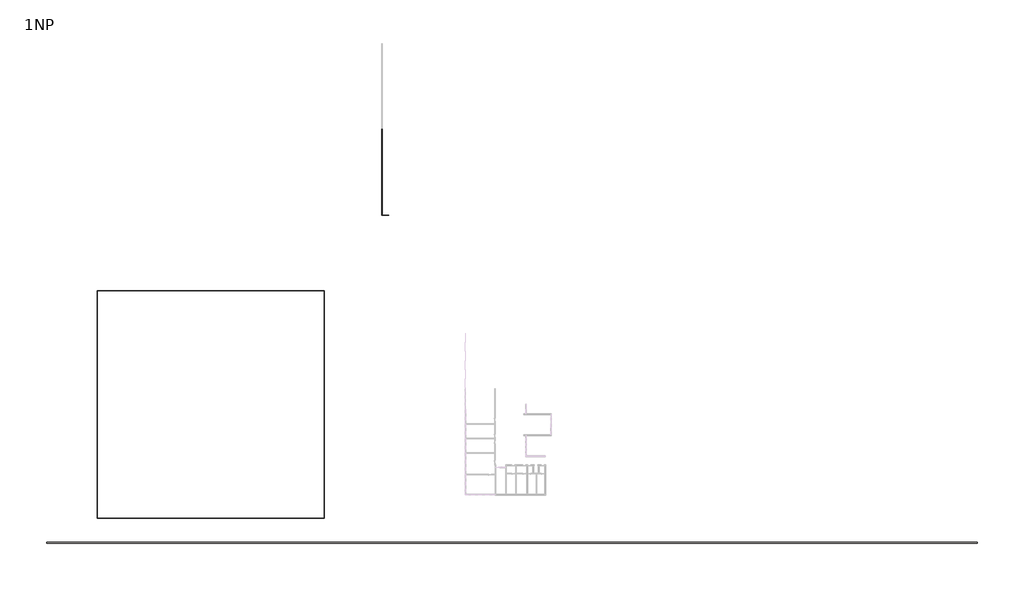
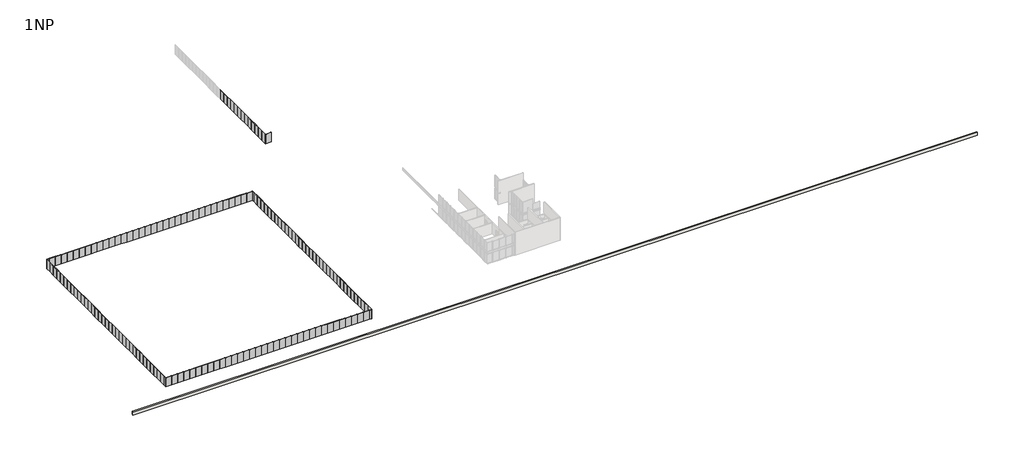
# One storey, part 1 of 52: 154 plates, 1 wall.
"""IFC4 building model written with IfcOpenShell, lengths in millimetres."""

import ifcopenshell
import ifcopenshell.guid

model = None  # the IFC model being written
_history = None  # IfcOwnerHistory: only IFC2X3 demands one
_inside = {}  # id of a spatial element -> (the spatial element, [elements in it])
_under = {}  # id of a project, library or spatial element -> (it, [spatial elements below it])
_declared = {}  # id of a project -> (the project, [libraries it declares])
_typed = {}  # id of a type object -> (the type object, [elements of that type])
_made_of = {}  # id of a material, layer set ... -> (it, [elements and type objects made of it])


def new_model(schema):
    """Start an empty IFC model of exactly this schema.

    Asked for "IFC4X3", IfcOpenShell would pick the latest addendum, in which some entities
    have other attributes; the version numbers below select the first issue.
    IFC2X3 requires an IfcOwnerHistory on every rooted entity: one is made here for all.
    """
    global model, _history
    if schema == "IFC4X3":
        model = ifcopenshell.file(schema_version=(4, 3, 0, 0))
    else:
        model = ifcopenshell.file(schema=schema)
    _inside.clear()
    _under.clear()
    _declared.clear()
    _typed.clear()
    _made_of.clear()
    _history = None
    if model.schema == "IFC2X3":
        org = make("IfcOrganization", Name="unknown")
        user = make(
            "IfcPersonAndOrganization",
            ThePerson=make("IfcPerson", FamilyName="unknown"),
            TheOrganization=org,
        )
        app = make(
            "IfcApplication",
            ApplicationDeveloper=org,
            Version="unknown",
            ApplicationFullName="unknown",
            ApplicationIdentifier="unknown",
        )
        _history = make(
            "IfcOwnerHistory",
            OwningUser=user,
            OwningApplication=app,
            ChangeAction="ADDED",
            CreationDate=0,
        )
    return model


def make(cls, **values):
    """One entity of the class cls with the attributes given. An attribute that is None is left unset."""
    return model.create_entity(
        cls, **{name: value for name, value in values.items() if value is not None}
    )


def rooted(cls, **values):
    """An entity with a GlobalId (a new one), such as an element, a storey or a relation."""
    return make(cls, GlobalId=ifcopenshell.guid.new(), OwnerHistory=_history, **values)


def si_unit(unit_type, name, prefix=None):
    """IfcSIUnit, for example si_unit("LENGTHUNIT", "METRE", prefix="MILLI")."""
    return make("IfcSIUnit", UnitType=unit_type, Prefix=prefix, Name=name)


def assignment(units):
    """IfcUnitAssignment: the units of a project."""
    return None if units is None else make("IfcUnitAssignment", Units=units)


def point(xyz):
    """IfcCartesianPoint."""
    return None if xyz is None else make("IfcCartesianPoint", Coordinates=xyz)


def direction(xyz):
    """IfcDirection."""
    return None if xyz is None else make("IfcDirection", DirectionRatios=xyz)


def frame(location, z_axis=None, x_axis=None):
    """IfcAxis2Placement3D, a coordinate frame: its origin and axes. An axis left out is left unset."""
    return make(
        "IfcAxis2Placement3D",
        Location=point(location),
        Axis=direction(z_axis),
        RefDirection=direction(x_axis),
    )


def origin():
    """The frame at (0, 0, 0) with its axes left unset."""
    return frame((0.0, 0.0, 0.0))


def origin_with_axes():
    """The frame at (0, 0, 0) with the z axis (0, 0, 1) and the x axis (1, 0, 0) written out."""
    return frame((0.0, 0.0, 0.0), z_axis=(0.0, 0.0, 1.0), x_axis=(1.0, 0.0, 0.0))


def place(relative_to, where):
    """IfcLocalPlacement: puts the frame where relative to a parent placement (None: the world)."""
    return make(
        "IfcLocalPlacement", PlacementRelTo=relative_to, RelativePlacement=where
    )


def context(
    kind, dimensions, precision=None, world=None, true_north=None, identifier=None
):
    """IfcGeometricRepresentationContext, for example the 3D "Model" context."""
    return make(
        "IfcGeometricRepresentationContext",
        ContextIdentifier=identifier,
        ContextType=kind,
        CoordinateSpaceDimension=dimensions,
        Precision=precision,
        WorldCoordinateSystem=world,
        TrueNorth=true_north,
    )


def project(units=None, contexts=None):
    """IfcProject with its units and contexts."""
    return rooted(
        "IfcProject",
        Name="project",
        RepresentationContexts=contexts,
        UnitsInContext=assignment(units),
    )


def spatial(cls, under=None, at=None, **own):
    """A site, building, storey or space (cls), placed at a placement, below another one or the project."""
    s = rooted(cls, ObjectPlacement=at, **own)
    if under is not None:
        _under.setdefault(under.id(), (under, []))[1].append(s)
    return s


def polyline(points):
    """IfcPolyline through the points."""
    return make("IfcPolyline", Points=[point(p) for p in points])


def outline(outer, holes=None, kind="AREA"):
    """IfcArbitraryClosedProfileDef: a profile drawn as a closed curve; with holes, ...WithVoids."""
    if holes is None:
        return make("IfcArbitraryClosedProfileDef", ProfileType=kind, OuterCurve=outer)
    return make(
        "IfcArbitraryProfileDefWithVoids",
        ProfileType=kind,
        OuterCurve=outer,
        InnerCurves=holes,
    )


def extrude(swept, where, along, depth):
    """IfcExtrudedAreaSolid: the profile swept, set in the frame where, extruded along a direction by depth."""
    return make(
        "IfcExtrudedAreaSolid",
        SweptArea=swept,
        Position=where,
        ExtrudedDirection=direction(along),
        Depth=depth,
    )


def shape(context_of_items, identifier, shape_type, items):
    """IfcShapeRepresentation: the items that make up one representation, for example the "Body"."""
    return make(
        "IfcShapeRepresentation",
        ContextOfItems=context_of_items,
        RepresentationIdentifier=identifier,
        RepresentationType=shape_type,
        Items=items,
    )


def source(mapping_origin, context_of_items, identifier, shape_type, items):
    """IfcRepresentationMap: a shape defined once, which mapped items show again and again."""
    return make(
        "IfcRepresentationMap",
        MappingOrigin=mapping_origin,
        MappedRepresentation=shape(context_of_items, identifier, shape_type, items),
    )


def transform(
    local_origin,
    x_axis=None,
    y_axis=None,
    z_axis=None,
    scale=None,
    scale2=None,
    scale3=None,
    uniform=True,
):
    """IfcCartesianTransformationOperator3D, or its non-uniform kind. x_axis, y_axis, z_axis: its Axis1, 2, 3."""
    if uniform:
        return make(
            "IfcCartesianTransformationOperator3D",
            Axis1=direction(x_axis),
            Axis2=direction(y_axis),
            LocalOrigin=point(local_origin),
            Scale=scale,
            Axis3=direction(z_axis),
        )
    return make(
        "IfcCartesianTransformationOperator3DnonUniform",
        Axis1=direction(x_axis),
        Axis2=direction(y_axis),
        LocalOrigin=point(local_origin),
        Scale=scale,
        Axis3=direction(z_axis),
        Scale2=scale2,
        Scale3=scale3,
    )


def mapped(mapping_source, mapping_target):
    """IfcMappedItem: shows the shape of a source again, moved by a transform."""
    return make(
        "IfcMappedItem", MappingSource=mapping_source, MappingTarget=mapping_target
    )


def made_of(thing, what):
    """Note that an element or type object is made of a material, layer set ...; save() writes the relation."""
    if what is not None:
        _made_of.setdefault(what.id(), (what, []))[1].append(thing)
    return thing


def element(
    cls,
    number,
    at=None,
    inside=None,
    cuts=None,
    type_object=None,
    material=None,
    context=None,
    identifier="Body",
    shape_type=None,
    held_by="IfcProductDefinitionShape",
    body=None,
    shapes=None,
    **own,
):
    """One element of the class cls, such as IfcWall. Its Tag is "e" and its number.

    at: its placement. inside: the storey or other place that contains it. cuts: it is an
    opening in that element (IfcRelVoidsElement). A single representation is given by context,
    identifier, shape_type and body (its items); several are given by shapes. held_by: the class
    of the entity that holds the representations. save() writes the other relations.
    """
    e = rooted(cls, Tag="e%d" % number, ObjectPlacement=at, **own)
    if body is not None:
        shapes = [shape(context, identifier, shape_type, body)]
    if shapes is not None:
        e.Representation = make(held_by, Representations=shapes)
    if inside is not None:
        _inside.setdefault(inside.id(), (inside, []))[1].append(e)
    if cuts is not None:
        rooted(
            "IfcRelVoidsElement", RelatingBuildingElement=cuts, RelatedOpeningElement=e
        )
    if type_object is not None:
        _typed.setdefault(type_object.id(), (type_object, []))[1].append(e)
    return made_of(e, material)


def aggregate(whole, parts):
    """IfcRelAggregates: a whole, such as a stair, and the parts it consists of."""
    return rooted("IfcRelAggregates", RelatingObject=whole, RelatedObjects=parts)


def save(model, path):
    """Write the relations noted so far, then the file.

    IfcRelAggregates (storeys below a building ...), IfcRelContainedInSpatialStructure (elements
    in a storey), IfcRelDefinesByType, IfcRelAssociatesMaterial and IfcRelDeclares: one each for
    every whole, place, type object, material and project.
    """
    for whole, parts in _under.values():
        aggregate(whole, parts)
    for where, things in _inside.values():
        rooted(
            "IfcRelContainedInSpatialStructure",
            RelatedElements=things,
            RelatingStructure=where,
        )
    for kind, things in _typed.values():
        rooted("IfcRelDefinesByType", RelatedObjects=things, RelatingType=kind)
    for what, things in _made_of.values():
        rooted("IfcRelAssociatesMaterial", RelatedObjects=things, RelatingMaterial=what)
    for by, libraries in _declared.values():
        rooted("IfcRelDeclares", RelatingContext=by, RelatedDefinitions=libraries)
    model.write(path)


def plate_1b9f2f65(model_context):
    return source(origin(), model_context, "Body", "SweptSolid", [
        extrude(outline(polyline([(915.0000002, 24.5), (-915.0000002, 24.5), (-915.0000002, 49.5), (915.0000002, 49.5), (915.0000002, 24.5)])), origin_with_axes(), (0.0, 0.0, 1.0), 3000.0),
    ])


def plate_6aa52e40(model_context):
    return source(origin(), model_context, "Body", "SweptSolid", [
        extrude(outline(polyline([(889.9999998, 24.5), (-889.9999998, 24.5), (-889.9999998, 49.5), (889.9999998, 49.5), (889.9999998, 24.5)])), origin_with_axes(), (0.0, 0.0, 1.0), 3000.0),
    ])


def plate_b3ee0a74(model_context):
    return source(origin(), model_context, "Body", "SweptSolid", [
        extrude(outline(polyline([(412.4999998, 24.5), (-412.4999998, 24.5), (-412.4999998, 49.5), (412.4999998, 49.5), (412.4999998, 24.5)])), origin_with_axes(), (0.0, 0.0, 1.0), 3000.0),
    ])


def plate_80f6fde1(model_context):
    return source(origin(), model_context, "Body", "SweptSolid", [
        extrude(outline(polyline([(379.0470052, 24.5), (-379.0470052, 24.5), (-379.0470052, 49.5), (379.0470052, 49.5), (379.0470052, 24.5)])), origin_with_axes(), (0.0, 0.0, 1.0), 3000.0),
    ])


model = new_model("IFC4")

# Units and contexts
model_context = context("Model", 3, world=origin())
ifc_project = project(units=[si_unit("LENGTHUNIT", "METRE", prefix="MILLI")], contexts=[model_context])

# Site, building, storey
site = spatial("IfcSite", under=ifc_project)
building = spatial("IfcBuilding", under=site)
storey = spatial("IfcBuildingStorey", under=building, Name="1NP", Elevation=0.0)

# Plates
placement = place(None, origin())
plate_shape = plate_1b9f2f65(model_context)
element("IfcPlate", 1, at=placement, inside=storey, context=model_context, shape_type="MappedRepresentation", body=[
    mapped(plate_shape, transform((-1000.0, 84915.0000002, 0.0), x_axis=(0.0, 1.0, 0.0), y_axis=(-1.0, 0.0, 0.0), z_axis=(0.0, 0.0, 1.0))),
])
element("IfcPlate", 2, at=placement, inside=storey, context=model_context, shape_type="MappedRepresentation", body=[
    mapped(plate_shape, transform((-1000.0, 86745.0000003, 0.0), x_axis=(0.0, 1.0, 0.0), y_axis=(-1.0, 0.0, 0.0), z_axis=(0.0, 0.0, 1.0))),
])
element("IfcPlate", 3, at=placement, inside=storey, context=model_context, shape_type="MappedRepresentation", body=[
    mapped(plate_shape, transform((-1000.0, 88575.0000003, 0.0), x_axis=(0.0, 1.0, 0.0), y_axis=(-1.0, 0.0, 0.0), z_axis=(0.0, 0.0, 1.0))),
])
element("IfcPlate", 4, at=placement, inside=storey, context=model_context, shape_type="MappedRepresentation", body=[
    mapped(plate_shape, transform((-1000.0, 90405.0000003, 0.0), x_axis=(0.0, 1.0, 0.0), y_axis=(-1.0, 0.0, 0.0), z_axis=(0.0, 0.0, 1.0))),
])
element("IfcPlate", 5, at=placement, inside=storey, context=model_context, shape_type="MappedRepresentation", body=[
    mapped(plate_shape, transform((-1000.0, 92235.0000003, 0.0), x_axis=(0.0, 1.0, 0.0), y_axis=(-1.0, 0.0, 0.0), z_axis=(0.0, 0.0, 1.0))),
])
element("IfcPlate", 6, at=placement, inside=storey, context=model_context, shape_type="MappedRepresentation", body=[
    mapped(plate_shape, transform((-1000.0, 94065.0000003, 0.0), x_axis=(0.0, 1.0, 0.0), y_axis=(-1.0, 0.0, 0.0), z_axis=(0.0, 0.0, 1.0))),
])
element("IfcPlate", 7, at=placement, inside=storey, context=model_context, shape_type="MappedRepresentation", body=[
    mapped(plate_shape, transform((-1000.0, 95895.0000003, 0.0), x_axis=(0.0, 1.0, 0.0), y_axis=(-1.0, 0.0, 0.0), z_axis=(0.0, 0.0, 1.0))),
])
element("IfcPlate", 8, at=placement, inside=storey, context=model_context, shape_type="MappedRepresentation", body=[
    mapped(plate_shape, transform((-1000.0, 97725.0000003, 0.0), x_axis=(0.0, 1.0, 0.0), y_axis=(-1.0, 0.0, 0.0), z_axis=(0.0, 0.0, 1.0))),
])
element("IfcPlate", 9, at=placement, inside=storey, context=model_context, shape_type="MappedRepresentation", body=[
    mapped(plate_shape, transform((-1000.0, 99555.0000003, 0.0), x_axis=(0.0, 1.0, 0.0), y_axis=(-1.0, 0.0, 0.0), z_axis=(0.0, 0.0, 1.0))),
])
element("IfcPlate", 10, at=placement, inside=storey, context=model_context, shape_type="MappedRepresentation", body=[
    mapped(plate_shape, transform((-1000.0, 101385.0000003, 0.0), x_axis=(0.0, 1.0, 0.0), y_axis=(-1.0, 0.0, 0.0), z_axis=(0.0, 0.0, 1.0))),
])
element("IfcPlate", 11, at=placement, inside=storey, context=model_context, shape_type="MappedRepresentation", body=[
    mapped(plate_shape, transform((-1000.0, 103215.0000003, 0.0), x_axis=(0.0, 1.0, 0.0), y_axis=(-1.0, 0.0, 0.0), z_axis=(0.0, 0.0, 1.0))),
])
element("IfcPlate", 12, at=placement, inside=storey, context=model_context, shape_type="MappedRepresentation", body=[
    mapped(plate_shape, transform((-1000.0, 105045.0000003, 0.0), x_axis=(0.0, 1.0, 0.0), y_axis=(-1.0, 0.0, 0.0), z_axis=(0.0, 0.0, 1.0))),
])
element("IfcPlate", 13, at=placement, inside=storey, context=model_context, shape_type="MappedRepresentation", body=[
    mapped(plate_shape, transform((-1000.0, 106875.0000003, 0.0), x_axis=(0.0, 1.0, 0.0), y_axis=(-1.0, 0.0, 0.0), z_axis=(0.0, 0.0, 1.0))),
])
element("IfcPlate", 14, at=placement, inside=storey, context=model_context, shape_type="MappedRepresentation", body=[
    mapped(plate_shape, transform((-80000.0, 62129.9999998, 0.0), x_axis=(0.0, -1.0, 0.0), y_axis=(1.0, 0.0, 0.0), z_axis=(0.0, 0.0, 1.0))),
])
element("IfcPlate", 15, at=placement, inside=storey, context=model_context, shape_type="MappedRepresentation", body=[
    mapped(plate_shape, transform((-80000.0, 60299.9999997, 0.0), x_axis=(0.0, -1.0, 0.0), y_axis=(1.0, 0.0, 0.0), z_axis=(0.0, 0.0, 1.0))),
])
element("IfcPlate", 16, at=placement, inside=storey, context=model_context, shape_type="MappedRepresentation", body=[
    mapped(plate_shape, transform((-80000.0, 58469.9999997, 0.0), x_axis=(0.0, -1.0, 0.0), y_axis=(1.0, 0.0, 0.0), z_axis=(0.0, 0.0, 1.0))),
])
element("IfcPlate", 17, at=placement, inside=storey, context=model_context, shape_type="MappedRepresentation", body=[
    mapped(plate_shape, transform((-80000.0, 56639.9999997, 0.0), x_axis=(0.0, -1.0, 0.0), y_axis=(1.0, 0.0, 0.0), z_axis=(0.0, 0.0, 1.0))),
])
element("IfcPlate", 18, at=placement, inside=storey, context=model_context, shape_type="MappedRepresentation", body=[
    mapped(plate_shape, transform((-80000.0, 54809.9999997, 0.0), x_axis=(0.0, -1.0, 0.0), y_axis=(1.0, 0.0, 0.0), z_axis=(0.0, 0.0, 1.0))),
])
element("IfcPlate", 19, at=placement, inside=storey, context=model_context, shape_type="MappedRepresentation", body=[
    mapped(plate_shape, transform((-80000.0, 52979.9999997, 0.0), x_axis=(0.0, -1.0, 0.0), y_axis=(1.0, 0.0, 0.0), z_axis=(0.0, 0.0, 1.0))),
])
element("IfcPlate", 20, at=placement, inside=storey, context=model_context, shape_type="MappedRepresentation", body=[
    mapped(plate_shape, transform((-80000.0, 51149.9999997, 0.0), x_axis=(0.0, -1.0, 0.0), y_axis=(1.0, 0.0, 0.0), z_axis=(0.0, 0.0, 1.0))),
])
element("IfcPlate", 21, at=placement, inside=storey, context=model_context, shape_type="MappedRepresentation", body=[
    mapped(plate_shape, transform((-80000.0, 49319.9999997, 0.0), x_axis=(0.0, -1.0, 0.0), y_axis=(1.0, 0.0, 0.0), z_axis=(0.0, 0.0, 1.0))),
])
element("IfcPlate", 22, at=placement, inside=storey, context=model_context, shape_type="MappedRepresentation", body=[
    mapped(plate_shape, transform((-80000.0, 47489.9999997, 0.0), x_axis=(0.0, -1.0, 0.0), y_axis=(1.0, 0.0, 0.0), z_axis=(0.0, 0.0, 1.0))),
])
element("IfcPlate", 23, at=placement, inside=storey, context=model_context, shape_type="MappedRepresentation", body=[
    mapped(plate_shape, transform((-80000.0, 45659.9999997, 0.0), x_axis=(0.0, -1.0, 0.0), y_axis=(1.0, 0.0, 0.0), z_axis=(0.0, 0.0, 1.0))),
])
element("IfcPlate", 24, at=placement, inside=storey, context=model_context, shape_type="MappedRepresentation", body=[
    mapped(plate_shape, transform((-80000.0, 43829.9999997, 0.0), x_axis=(0.0, -1.0, 0.0), y_axis=(1.0, 0.0, 0.0), z_axis=(0.0, 0.0, 1.0))),
])
element("IfcPlate", 25, at=placement, inside=storey, context=model_context, shape_type="MappedRepresentation", body=[
    mapped(plate_shape, transform((-80000.0, 41999.9999997, 0.0), x_axis=(0.0, -1.0, 0.0), y_axis=(1.0, 0.0, 0.0), z_axis=(0.0, 0.0, 1.0))),
])
element("IfcPlate", 26, at=placement, inside=storey, context=model_context, shape_type="MappedRepresentation", body=[
    mapped(plate_shape, transform((-80000.0, 40169.9999997, 0.0), x_axis=(0.0, -1.0, 0.0), y_axis=(1.0, 0.0, 0.0), z_axis=(0.0, 0.0, 1.0))),
])
element("IfcPlate", 27, at=placement, inside=storey, context=model_context, shape_type="MappedRepresentation", body=[
    mapped(plate_shape, transform((-80000.0, 38339.9999997, 0.0), x_axis=(0.0, -1.0, 0.0), y_axis=(1.0, 0.0, 0.0), z_axis=(0.0, 0.0, 1.0))),
])
element("IfcPlate", 28, at=placement, inside=storey, context=model_context, shape_type="MappedRepresentation", body=[
    mapped(plate_shape, transform((-80000.0, 36509.9999997, 0.0), x_axis=(0.0, -1.0, 0.0), y_axis=(1.0, 0.0, 0.0), z_axis=(0.0, 0.0, 1.0))),
])
element("IfcPlate", 29, at=placement, inside=storey, context=model_context, shape_type="MappedRepresentation", body=[
    mapped(plate_shape, transform((-80000.0, 34679.9999997, 0.0), x_axis=(0.0, -1.0, 0.0), y_axis=(1.0, 0.0, 0.0), z_axis=(0.0, 0.0, 1.0))),
])
element("IfcPlate", 30, at=placement, inside=storey, context=model_context, shape_type="MappedRepresentation", body=[
    mapped(plate_shape, transform((-80000.0, 32849.9999997, 0.0), x_axis=(0.0, -1.0, 0.0), y_axis=(1.0, 0.0, 0.0), z_axis=(0.0, 0.0, 1.0))),
])
element("IfcPlate", 31, at=placement, inside=storey, context=model_context, shape_type="MappedRepresentation", body=[
    mapped(plate_shape, transform((-80000.0, 31019.9999997, 0.0), x_axis=(0.0, -1.0, 0.0), y_axis=(1.0, 0.0, 0.0), z_axis=(0.0, 0.0, 1.0))),
])
element("IfcPlate", 32, at=placement, inside=storey, context=model_context, shape_type="MappedRepresentation", body=[
    mapped(plate_shape, transform((-80000.0, 29189.9999997, 0.0), x_axis=(0.0, -1.0, 0.0), y_axis=(1.0, 0.0, 0.0), z_axis=(0.0, 0.0, 1.0))),
])
element("IfcPlate", 33, at=placement, inside=storey, context=model_context, shape_type="MappedRepresentation", body=[
    mapped(plate_shape, transform((-80000.0, 27359.9999997, 0.0), x_axis=(0.0, -1.0, 0.0), y_axis=(1.0, 0.0, 0.0), z_axis=(0.0, 0.0, 1.0))),
])
element("IfcPlate", 34, at=placement, inside=storey, context=model_context, shape_type="MappedRepresentation", body=[
    mapped(plate_shape, transform((-80000.0, 25529.9999997, 0.0), x_axis=(0.0, -1.0, 0.0), y_axis=(1.0, 0.0, 0.0), z_axis=(0.0, 0.0, 1.0))),
])
element("IfcPlate", 35, at=placement, inside=storey, context=model_context, shape_type="MappedRepresentation", body=[
    mapped(plate_shape, transform((-80000.0, 23699.9999997, 0.0), x_axis=(0.0, -1.0, 0.0), y_axis=(1.0, 0.0, 0.0), z_axis=(0.0, 0.0, 1.0))),
])
element("IfcPlate", 36, at=placement, inside=storey, context=model_context, shape_type="MappedRepresentation", body=[
    mapped(plate_shape, transform((-80000.0, 21869.9999997, 0.0), x_axis=(0.0, -1.0, 0.0), y_axis=(1.0, 0.0, 0.0), z_axis=(0.0, 0.0, 1.0))),
])
element("IfcPlate", 37, at=placement, inside=storey, context=model_context, shape_type="MappedRepresentation", body=[
    mapped(plate_shape, transform((-80000.0, 20039.9999997, 0.0), x_axis=(0.0, -1.0, 0.0), y_axis=(1.0, 0.0, 0.0), z_axis=(0.0, 0.0, 1.0))),
])
element("IfcPlate", 38, at=placement, inside=storey, context=model_context, shape_type="MappedRepresentation", body=[
    mapped(plate_shape, transform((-80000.0, 18209.9999997, 0.0), x_axis=(0.0, -1.0, 0.0), y_axis=(1.0, 0.0, 0.0), z_axis=(0.0, 0.0, 1.0))),
])
element("IfcPlate", 39, at=placement, inside=storey, context=model_context, shape_type="MappedRepresentation", body=[
    mapped(plate_shape, transform((-80000.0, 16379.9999997, 0.0), x_axis=(0.0, -1.0, 0.0), y_axis=(1.0, 0.0, 0.0), z_axis=(0.0, 0.0, 1.0))),
])
element("IfcPlate", 40, at=placement, inside=storey, context=model_context, shape_type="MappedRepresentation", body=[
    mapped(plate_shape, transform((-80000.0, 14549.9999997, 0.0), x_axis=(0.0, -1.0, 0.0), y_axis=(1.0, 0.0, 0.0), z_axis=(0.0, 0.0, 1.0))),
])
element("IfcPlate", 41, at=placement, inside=storey, context=model_context, shape_type="MappedRepresentation", body=[
    mapped(plate_shape, transform((-80000.0, 12719.9999997, 0.0), x_axis=(0.0, -1.0, 0.0), y_axis=(1.0, 0.0, 0.0), z_axis=(0.0, 0.0, 1.0))),
])
element("IfcPlate", 42, at=placement, inside=storey, context=model_context, shape_type="MappedRepresentation", body=[
    mapped(plate_shape, transform((-80000.0, 10889.9999997, 0.0), x_axis=(0.0, -1.0, 0.0), y_axis=(1.0, 0.0, 0.0), z_axis=(0.0, 0.0, 1.0))),
])
element("IfcPlate", 43, at=placement, inside=storey, context=model_context, shape_type="MappedRepresentation", body=[
    mapped(plate_shape, transform((-80000.0, 9059.9999997, 0.0), x_axis=(0.0, -1.0, 0.0), y_axis=(1.0, 0.0, 0.0), z_axis=(0.0, 0.0, 1.0))),
])
element("IfcPlate", 44, at=placement, inside=storey, context=model_context, shape_type="MappedRepresentation", body=[
    mapped(plate_shape, transform((-80000.0, 7229.9999997, 0.0), x_axis=(0.0, -1.0, 0.0), y_axis=(1.0, 0.0, 0.0), z_axis=(0.0, 0.0, 1.0))),
])
element("IfcPlate", 45, at=placement, inside=storey, context=model_context, shape_type="MappedRepresentation", body=[
    mapped(plate_shape, transform((-80000.0, 5399.9999997, 0.0), x_axis=(0.0, -1.0, 0.0), y_axis=(1.0, 0.0, 0.0), z_axis=(0.0, 0.0, 1.0))),
])
element("IfcPlate", 46, at=placement, inside=storey, context=model_context, shape_type="MappedRepresentation", body=[
    mapped(plate_shape, transform((-80000.0, 3569.9999997, 0.0), x_axis=(0.0, -1.0, 0.0), y_axis=(1.0, 0.0, 0.0), z_axis=(0.0, 0.0, 1.0))),
])
element("IfcPlate", 47, at=placement, inside=storey, context=model_context, shape_type="MappedRepresentation", body=[
    mapped(plate_shape, transform((-80000.0, 1739.9999997, 0.0), x_axis=(0.0, -1.0, 0.0), y_axis=(1.0, 0.0, 0.0), z_axis=(0.0, 0.0, 1.0))),
])
element("IfcPlate", 48, at=placement, inside=storey, context=model_context, shape_type="MappedRepresentation", body=[
    mapped(plate_shape, transform((-79084.9999998, 0.0, 0.0), x_axis=(1.0, 0.0, 0.0), y_axis=(0.0, 1.0, 0.0), z_axis=(0.0, 0.0, 1.0))),
])
element("IfcPlate", 49, at=placement, inside=storey, context=model_context, shape_type="MappedRepresentation", body=[
    mapped(plate_shape, transform((-77254.9999997, 0.0, 0.0), x_axis=(1.0, 0.0, 0.0), y_axis=(0.0, 1.0, 0.0), z_axis=(0.0, 0.0, 1.0))),
])
element("IfcPlate", 50, at=placement, inside=storey, context=model_context, shape_type="MappedRepresentation", body=[
    mapped(plate_shape, transform((-75424.9999997, 0.0, 0.0), x_axis=(1.0, 0.0, 0.0), y_axis=(0.0, 1.0, 0.0), z_axis=(0.0, 0.0, 1.0))),
])
element("IfcPlate", 51, at=placement, inside=storey, context=model_context, shape_type="MappedRepresentation", body=[
    mapped(plate_shape, transform((-73594.9999997, 0.0, 0.0), x_axis=(1.0, 0.0, 0.0), y_axis=(0.0, 1.0, 0.0), z_axis=(0.0, 0.0, 1.0))),
])
element("IfcPlate", 52, at=placement, inside=storey, context=model_context, shape_type="MappedRepresentation", body=[
    mapped(plate_shape, transform((-71764.9999997, 0.0, 0.0), x_axis=(1.0, 0.0, 0.0), y_axis=(0.0, 1.0, 0.0), z_axis=(0.0, 0.0, 1.0))),
])
element("IfcPlate", 53, at=placement, inside=storey, context=model_context, shape_type="MappedRepresentation", body=[
    mapped(plate_shape, transform((-69934.9999997, 0.0, 0.0), x_axis=(1.0, 0.0, 0.0), y_axis=(0.0, 1.0, 0.0), z_axis=(0.0, 0.0, 1.0))),
])
element("IfcPlate", 54, at=placement, inside=storey, context=model_context, shape_type="MappedRepresentation", body=[
    mapped(plate_shape, transform((-68104.9999997, 0.0, 0.0), x_axis=(1.0, 0.0, 0.0), y_axis=(0.0, 1.0, 0.0), z_axis=(0.0, 0.0, 1.0))),
])
element("IfcPlate", 55, at=placement, inside=storey, context=model_context, shape_type="MappedRepresentation", body=[
    mapped(plate_shape, transform((-66274.9999997, 0.0, 0.0), x_axis=(1.0, 0.0, 0.0), y_axis=(0.0, 1.0, 0.0), z_axis=(0.0, 0.0, 1.0))),
])
element("IfcPlate", 56, at=placement, inside=storey, context=model_context, shape_type="MappedRepresentation", body=[
    mapped(plate_shape, transform((-64444.9999997, 0.0, 0.0), x_axis=(1.0, 0.0, 0.0), y_axis=(0.0, 1.0, 0.0), z_axis=(0.0, 0.0, 1.0))),
])
element("IfcPlate", 57, at=placement, inside=storey, context=model_context, shape_type="MappedRepresentation", body=[
    mapped(plate_shape, transform((-62614.9999997, 0.0, 0.0), x_axis=(1.0, 0.0, 0.0), y_axis=(0.0, 1.0, 0.0), z_axis=(0.0, 0.0, 1.0))),
])
element("IfcPlate", 58, at=placement, inside=storey, context=model_context, shape_type="MappedRepresentation", body=[
    mapped(plate_shape, transform((-60784.9999997, 0.0, 0.0), x_axis=(1.0, 0.0, 0.0), y_axis=(0.0, 1.0, 0.0), z_axis=(0.0, 0.0, 1.0))),
])
element("IfcPlate", 59, at=placement, inside=storey, context=model_context, shape_type="MappedRepresentation", body=[
    mapped(plate_shape, transform((-58954.9999997, 0.0, 0.0), x_axis=(1.0, 0.0, 0.0), y_axis=(0.0, 1.0, 0.0), z_axis=(0.0, 0.0, 1.0))),
])
element("IfcPlate", 60, at=placement, inside=storey, context=model_context, shape_type="MappedRepresentation", body=[
    mapped(plate_shape, transform((-57124.9999997, 0.0, 0.0), x_axis=(1.0, 0.0, 0.0), y_axis=(0.0, 1.0, 0.0), z_axis=(0.0, 0.0, 1.0))),
])
element("IfcPlate", 61, at=placement, inside=storey, context=model_context, shape_type="MappedRepresentation", body=[
    mapped(plate_shape, transform((-55294.9999997, 0.0, 0.0), x_axis=(1.0, 0.0, 0.0), y_axis=(0.0, 1.0, 0.0), z_axis=(0.0, 0.0, 1.0))),
])
element("IfcPlate", 62, at=placement, inside=storey, context=model_context, shape_type="MappedRepresentation", body=[
    mapped(plate_shape, transform((-53464.9999997, 0.0, 0.0), x_axis=(1.0, 0.0, 0.0), y_axis=(0.0, 1.0, 0.0), z_axis=(0.0, 0.0, 1.0))),
])
element("IfcPlate", 63, at=placement, inside=storey, context=model_context, shape_type="MappedRepresentation", body=[
    mapped(plate_shape, transform((-51634.9999997, 0.0, 0.0), x_axis=(1.0, 0.0, 0.0), y_axis=(0.0, 1.0, 0.0), z_axis=(0.0, 0.0, 1.0))),
])
element("IfcPlate", 64, at=placement, inside=storey, context=model_context, shape_type="MappedRepresentation", body=[
    mapped(plate_shape, transform((-49804.9999997, 0.0, 0.0), x_axis=(1.0, 0.0, 0.0), y_axis=(0.0, 1.0, 0.0), z_axis=(0.0, 0.0, 1.0))),
])
element("IfcPlate", 65, at=placement, inside=storey, context=model_context, shape_type="MappedRepresentation", body=[
    mapped(plate_shape, transform((-47974.9999997, 0.0, 0.0), x_axis=(1.0, 0.0, 0.0), y_axis=(0.0, 1.0, 0.0), z_axis=(0.0, 0.0, 1.0))),
])
element("IfcPlate", 66, at=placement, inside=storey, context=model_context, shape_type="MappedRepresentation", body=[
    mapped(plate_shape, transform((-46144.9999997, 0.0, 0.0), x_axis=(1.0, 0.0, 0.0), y_axis=(0.0, 1.0, 0.0), z_axis=(0.0, 0.0, 1.0))),
])
element("IfcPlate", 67, at=placement, inside=storey, context=model_context, shape_type="MappedRepresentation", body=[
    mapped(plate_shape, transform((-44314.9999997, 0.0, 0.0), x_axis=(1.0, 0.0, 0.0), y_axis=(0.0, 1.0, 0.0), z_axis=(0.0, 0.0, 1.0))),
])
element("IfcPlate", 68, at=placement, inside=storey, context=model_context, shape_type="MappedRepresentation", body=[
    mapped(plate_shape, transform((-42484.9999997, 0.0, 0.0), x_axis=(1.0, 0.0, 0.0), y_axis=(0.0, 1.0, 0.0), z_axis=(0.0, 0.0, 1.0))),
])
element("IfcPlate", 69, at=placement, inside=storey, context=model_context, shape_type="MappedRepresentation", body=[
    mapped(plate_shape, transform((-40654.9999997, 0.0, 0.0), x_axis=(1.0, 0.0, 0.0), y_axis=(0.0, 1.0, 0.0), z_axis=(0.0, 0.0, 1.0))),
])
element("IfcPlate", 70, at=placement, inside=storey, context=model_context, shape_type="MappedRepresentation", body=[
    mapped(plate_shape, transform((-38824.9999997, 0.0, 0.0), x_axis=(1.0, 0.0, 0.0), y_axis=(0.0, 1.0, 0.0), z_axis=(0.0, 0.0, 1.0))),
])
element("IfcPlate", 71, at=placement, inside=storey, context=model_context, shape_type="MappedRepresentation", body=[
    mapped(plate_shape, transform((-36994.9999997, 0.0, 0.0), x_axis=(1.0, 0.0, 0.0), y_axis=(0.0, 1.0, 0.0), z_axis=(0.0, 0.0, 1.0))),
])
element("IfcPlate", 72, at=placement, inside=storey, context=model_context, shape_type="MappedRepresentation", body=[
    mapped(plate_shape, transform((-35164.9999997, 0.0, 0.0), x_axis=(1.0, 0.0, 0.0), y_axis=(0.0, 1.0, 0.0), z_axis=(0.0, 0.0, 1.0))),
])
element("IfcPlate", 73, at=placement, inside=storey, context=model_context, shape_type="MappedRepresentation", body=[
    mapped(plate_shape, transform((-33334.9999997, 0.0, 0.0), x_axis=(1.0, 0.0, 0.0), y_axis=(0.0, 1.0, 0.0), z_axis=(0.0, 0.0, 1.0))),
])
element("IfcPlate", 74, at=placement, inside=storey, context=model_context, shape_type="MappedRepresentation", body=[
    mapped(plate_shape, transform((-31504.9999997, 0.0, 0.0), x_axis=(1.0, 0.0, 0.0), y_axis=(0.0, 1.0, 0.0), z_axis=(0.0, 0.0, 1.0))),
])
element("IfcPlate", 75, at=placement, inside=storey, context=model_context, shape_type="MappedRepresentation", body=[
    mapped(plate_shape, transform((-29674.9999997, 0.0, 0.0), x_axis=(1.0, 0.0, 0.0), y_axis=(0.0, 1.0, 0.0), z_axis=(0.0, 0.0, 1.0))),
])
element("IfcPlate", 76, at=placement, inside=storey, context=model_context, shape_type="MappedRepresentation", body=[
    mapped(plate_shape, transform((-27844.9999997, 0.0, 0.0), x_axis=(1.0, 0.0, 0.0), y_axis=(0.0, 1.0, 0.0), z_axis=(0.0, 0.0, 1.0))),
])
element("IfcPlate", 77, at=placement, inside=storey, context=model_context, shape_type="MappedRepresentation", body=[
    mapped(plate_shape, transform((-26014.9999997, 0.0, 0.0), x_axis=(1.0, 0.0, 0.0), y_axis=(0.0, 1.0, 0.0), z_axis=(0.0, 0.0, 1.0))),
])
element("IfcPlate", 78, at=placement, inside=storey, context=model_context, shape_type="MappedRepresentation", body=[
    mapped(plate_shape, transform((-24184.9999997, 0.0, 0.0), x_axis=(1.0, 0.0, 0.0), y_axis=(0.0, 1.0, 0.0), z_axis=(0.0, 0.0, 1.0))),
])
element("IfcPlate", 79, at=placement, inside=storey, context=model_context, shape_type="MappedRepresentation", body=[
    mapped(plate_shape, transform((-22354.9999997, 0.0, 0.0), x_axis=(1.0, 0.0, 0.0), y_axis=(0.0, 1.0, 0.0), z_axis=(0.0, 0.0, 1.0))),
])
element("IfcPlate", 80, at=placement, inside=storey, context=model_context, shape_type="MappedRepresentation", body=[
    mapped(plate_shape, transform((-20524.9999997, 0.0, 0.0), x_axis=(1.0, 0.0, 0.0), y_axis=(0.0, 1.0, 0.0), z_axis=(0.0, 0.0, 1.0))),
])
element("IfcPlate", 81, at=placement, inside=storey, context=model_context, shape_type="MappedRepresentation", body=[
    mapped(plate_shape, transform((-18694.9999997, 0.0, 0.0), x_axis=(1.0, 0.0, 0.0), y_axis=(0.0, 1.0, 0.0), z_axis=(0.0, 0.0, 1.0))),
])
element("IfcPlate", 82, at=placement, inside=storey, context=model_context, shape_type="MappedRepresentation", body=[
    mapped(plate_shape, transform((-17021.9059892, 915.0000002, 0.0), x_axis=(0.0, 1.0, 0.0), y_axis=(-1.0, 0.0, 0.0), z_axis=(0.0, 0.0, 1.0))),
])
element("IfcPlate", 83, at=placement, inside=storey, context=model_context, shape_type="MappedRepresentation", body=[
    mapped(plate_shape, transform((-17021.9059892, 2745.0000003, 0.0), x_axis=(0.0, 1.0, 0.0), y_axis=(-1.0, 0.0, 0.0), z_axis=(0.0, 0.0, 1.0))),
])
element("IfcPlate", 84, at=placement, inside=storey, context=model_context, shape_type="MappedRepresentation", body=[
    mapped(plate_shape, transform((-17021.9059892, 4575.0000003, 0.0), x_axis=(0.0, 1.0, 0.0), y_axis=(-1.0, 0.0, 0.0), z_axis=(0.0, 0.0, 1.0))),
])
element("IfcPlate", 85, at=placement, inside=storey, context=model_context, shape_type="MappedRepresentation", body=[
    mapped(plate_shape, transform((-17021.9059892, 6405.0000003, 0.0), x_axis=(0.0, 1.0, 0.0), y_axis=(-1.0, 0.0, 0.0), z_axis=(0.0, 0.0, 1.0))),
])
element("IfcPlate", 86, at=placement, inside=storey, context=model_context, shape_type="MappedRepresentation", body=[
    mapped(plate_shape, transform((-17021.9059892, 8235.0000003, 0.0), x_axis=(0.0, 1.0, 0.0), y_axis=(-1.0, 0.0, 0.0), z_axis=(0.0, 0.0, 1.0))),
])
element("IfcPlate", 87, at=placement, inside=storey, context=model_context, shape_type="MappedRepresentation", body=[
    mapped(plate_shape, transform((-17021.9059892, 10065.0000003, 0.0), x_axis=(0.0, 1.0, 0.0), y_axis=(-1.0, 0.0, 0.0), z_axis=(0.0, 0.0, 1.0))),
])
element("IfcPlate", 88, at=placement, inside=storey, context=model_context, shape_type="MappedRepresentation", body=[
    mapped(plate_shape, transform((-17021.9059892, 11895.0000003, 0.0), x_axis=(0.0, 1.0, 0.0), y_axis=(-1.0, 0.0, 0.0), z_axis=(0.0, 0.0, 1.0))),
])
element("IfcPlate", 89, at=placement, inside=storey, context=model_context, shape_type="MappedRepresentation", body=[
    mapped(plate_shape, transform((-17021.9059892, 13725.0000003, 0.0), x_axis=(0.0, 1.0, 0.0), y_axis=(-1.0, 0.0, 0.0), z_axis=(0.0, 0.0, 1.0))),
])
element("IfcPlate", 90, at=placement, inside=storey, context=model_context, shape_type="MappedRepresentation", body=[
    mapped(plate_shape, transform((-17021.9059892, 15555.0000003, 0.0), x_axis=(0.0, 1.0, 0.0), y_axis=(-1.0, 0.0, 0.0), z_axis=(0.0, 0.0, 1.0))),
])
element("IfcPlate", 91, at=placement, inside=storey, context=model_context, shape_type="MappedRepresentation", body=[
    mapped(plate_shape, transform((-17021.9059892, 17385.0000003, 0.0), x_axis=(0.0, 1.0, 0.0), y_axis=(-1.0, 0.0, 0.0), z_axis=(0.0, 0.0, 1.0))),
])
element("IfcPlate", 92, at=placement, inside=storey, context=model_context, shape_type="MappedRepresentation", body=[
    mapped(plate_shape, transform((-17021.9059892, 19215.0000003, 0.0), x_axis=(0.0, 1.0, 0.0), y_axis=(-1.0, 0.0, 0.0), z_axis=(0.0, 0.0, 1.0))),
])
element("IfcPlate", 93, at=placement, inside=storey, context=model_context, shape_type="MappedRepresentation", body=[
    mapped(plate_shape, transform((-17021.9059892, 21045.0000003, 0.0), x_axis=(0.0, 1.0, 0.0), y_axis=(-1.0, 0.0, 0.0), z_axis=(0.0, 0.0, 1.0))),
])
element("IfcPlate", 94, at=placement, inside=storey, context=model_context, shape_type="MappedRepresentation", body=[
    mapped(plate_shape, transform((-17021.9059892, 22875.0000003, 0.0), x_axis=(0.0, 1.0, 0.0), y_axis=(-1.0, 0.0, 0.0), z_axis=(0.0, 0.0, 1.0))),
])
element("IfcPlate", 95, at=placement, inside=storey, context=model_context, shape_type="MappedRepresentation", body=[
    mapped(plate_shape, transform((-17021.9059892, 24705.0000003, 0.0), x_axis=(0.0, 1.0, 0.0), y_axis=(-1.0, 0.0, 0.0), z_axis=(0.0, 0.0, 1.0))),
])
element("IfcPlate", 96, at=placement, inside=storey, context=model_context, shape_type="MappedRepresentation", body=[
    mapped(plate_shape, transform((-17021.9059892, 26535.0000003, 0.0), x_axis=(0.0, 1.0, 0.0), y_axis=(-1.0, 0.0, 0.0), z_axis=(0.0, 0.0, 1.0))),
])
element("IfcPlate", 97, at=placement, inside=storey, context=model_context, shape_type="MappedRepresentation", body=[
    mapped(plate_shape, transform((-17021.9059892, 28365.0000003, 0.0), x_axis=(0.0, 1.0, 0.0), y_axis=(-1.0, 0.0, 0.0), z_axis=(0.0, 0.0, 1.0))),
])
element("IfcPlate", 98, at=placement, inside=storey, context=model_context, shape_type="MappedRepresentation", body=[
    mapped(plate_shape, transform((-17021.9059892, 30195.0000003, 0.0), x_axis=(0.0, 1.0, 0.0), y_axis=(-1.0, 0.0, 0.0), z_axis=(0.0, 0.0, 1.0))),
])
element("IfcPlate", 99, at=placement, inside=storey, context=model_context, shape_type="MappedRepresentation", body=[
    mapped(plate_shape, transform((-17021.9059892, 32025.0000003, 0.0), x_axis=(0.0, 1.0, 0.0), y_axis=(-1.0, 0.0, 0.0), z_axis=(0.0, 0.0, 1.0))),
])
element("IfcPlate", 100, at=placement, inside=storey, context=model_context, shape_type="MappedRepresentation", body=[
    mapped(plate_shape, transform((-17021.9059892, 33855.0000003, 0.0), x_axis=(0.0, 1.0, 0.0), y_axis=(-1.0, 0.0, 0.0), z_axis=(0.0, 0.0, 1.0))),
])
element("IfcPlate", 101, at=placement, inside=storey, context=model_context, shape_type="MappedRepresentation", body=[
    mapped(plate_shape, transform((-17021.9059892, 35685.0000003, 0.0), x_axis=(0.0, 1.0, 0.0), y_axis=(-1.0, 0.0, 0.0), z_axis=(0.0, 0.0, 1.0))),
])
element("IfcPlate", 102, at=placement, inside=storey, context=model_context, shape_type="MappedRepresentation", body=[
    mapped(plate_shape, transform((-17021.9059892, 37515.0000003, 0.0), x_axis=(0.0, 1.0, 0.0), y_axis=(-1.0, 0.0, 0.0), z_axis=(0.0, 0.0, 1.0))),
])
element("IfcPlate", 103, at=placement, inside=storey, context=model_context, shape_type="MappedRepresentation", body=[
    mapped(plate_shape, transform((-17021.9059892, 39345.0000003, 0.0), x_axis=(0.0, 1.0, 0.0), y_axis=(-1.0, 0.0, 0.0), z_axis=(0.0, 0.0, 1.0))),
])
element("IfcPlate", 104, at=placement, inside=storey, context=model_context, shape_type="MappedRepresentation", body=[
    mapped(plate_shape, transform((-17021.9059892, 41175.0000003, 0.0), x_axis=(0.0, 1.0, 0.0), y_axis=(-1.0, 0.0, 0.0), z_axis=(0.0, 0.0, 1.0))),
])
element("IfcPlate", 105, at=placement, inside=storey, context=model_context, shape_type="MappedRepresentation", body=[
    mapped(plate_shape, transform((-17021.9059892, 43005.0000003, 0.0), x_axis=(0.0, 1.0, 0.0), y_axis=(-1.0, 0.0, 0.0), z_axis=(0.0, 0.0, 1.0))),
])
element("IfcPlate", 106, at=placement, inside=storey, context=model_context, shape_type="MappedRepresentation", body=[
    mapped(plate_shape, transform((-17021.9059892, 44835.0000003, 0.0), x_axis=(0.0, 1.0, 0.0), y_axis=(-1.0, 0.0, 0.0), z_axis=(0.0, 0.0, 1.0))),
])
element("IfcPlate", 107, at=placement, inside=storey, context=model_context, shape_type="MappedRepresentation", body=[
    mapped(plate_shape, transform((-17021.9059892, 46665.0000003, 0.0), x_axis=(0.0, 1.0, 0.0), y_axis=(-1.0, 0.0, 0.0), z_axis=(0.0, 0.0, 1.0))),
])
element("IfcPlate", 108, at=placement, inside=storey, context=model_context, shape_type="MappedRepresentation", body=[
    mapped(plate_shape, transform((-17021.9059892, 48495.0000003, 0.0), x_axis=(0.0, 1.0, 0.0), y_axis=(-1.0, 0.0, 0.0), z_axis=(0.0, 0.0, 1.0))),
])
element("IfcPlate", 109, at=placement, inside=storey, context=model_context, shape_type="MappedRepresentation", body=[
    mapped(plate_shape, transform((-17021.9059892, 50325.0000003, 0.0), x_axis=(0.0, 1.0, 0.0), y_axis=(-1.0, 0.0, 0.0), z_axis=(0.0, 0.0, 1.0))),
])
element("IfcPlate", 110, at=placement, inside=storey, context=model_context, shape_type="MappedRepresentation", body=[
    mapped(plate_shape, transform((-17021.9059892, 52155.0000003, 0.0), x_axis=(0.0, 1.0, 0.0), y_axis=(-1.0, 0.0, 0.0), z_axis=(0.0, 0.0, 1.0))),
])
element("IfcPlate", 111, at=placement, inside=storey, context=model_context, shape_type="MappedRepresentation", body=[
    mapped(plate_shape, transform((-17021.9059892, 53985.0000003, 0.0), x_axis=(0.0, 1.0, 0.0), y_axis=(-1.0, 0.0, 0.0), z_axis=(0.0, 0.0, 1.0))),
])
element("IfcPlate", 112, at=placement, inside=storey, context=model_context, shape_type="MappedRepresentation", body=[
    mapped(plate_shape, transform((-17021.9059892, 55815.0000003, 0.0), x_axis=(0.0, 1.0, 0.0), y_axis=(-1.0, 0.0, 0.0), z_axis=(0.0, 0.0, 1.0))),
])
element("IfcPlate", 113, at=placement, inside=storey, context=model_context, shape_type="MappedRepresentation", body=[
    mapped(plate_shape, transform((-17021.9059892, 57645.0000003, 0.0), x_axis=(0.0, 1.0, 0.0), y_axis=(-1.0, 0.0, 0.0), z_axis=(0.0, 0.0, 1.0))),
])
element("IfcPlate", 114, at=placement, inside=storey, context=model_context, shape_type="MappedRepresentation", body=[
    mapped(plate_shape, transform((-17021.9059892, 59475.0000003, 0.0), x_axis=(0.0, 1.0, 0.0), y_axis=(-1.0, 0.0, 0.0), z_axis=(0.0, 0.0, 1.0))),
])
element("IfcPlate", 115, at=placement, inside=storey, context=model_context, shape_type="MappedRepresentation", body=[
    mapped(plate_shape, transform((-17021.9059892, 61305.0000003, 0.0), x_axis=(0.0, 1.0, 0.0), y_axis=(-1.0, 0.0, 0.0), z_axis=(0.0, 0.0, 1.0))),
])
element("IfcPlate", 116, at=placement, inside=storey, context=model_context, shape_type="MappedRepresentation", body=[
    mapped(plate_shape, transform((-17936.9059894, 63045.0, 0.0), x_axis=(-1.0, 0.0, 0.0), y_axis=(0.0, -1.0, 0.0), z_axis=(0.0, 0.0, 1.0))),
])
element("IfcPlate", 117, at=placement, inside=storey, context=model_context, shape_type="MappedRepresentation", body=[
    mapped(plate_shape, transform((-19766.9059895, 63045.0, 0.0), x_axis=(-1.0, 0.0, 0.0), y_axis=(0.0, -1.0, 0.0), z_axis=(0.0, 0.0, 1.0))),
])
element("IfcPlate", 118, at=placement, inside=storey, context=model_context, shape_type="MappedRepresentation", body=[
    mapped(plate_shape, transform((-21596.9059895, 63045.0, 0.0), x_axis=(-1.0, 0.0, 0.0), y_axis=(0.0, -1.0, 0.0), z_axis=(0.0, 0.0, 1.0))),
])
element("IfcPlate", 119, at=placement, inside=storey, context=model_context, shape_type="MappedRepresentation", body=[
    mapped(plate_shape, transform((-23426.9059895, 63045.0, 0.0), x_axis=(-1.0, 0.0, 0.0), y_axis=(0.0, -1.0, 0.0), z_axis=(0.0, 0.0, 1.0))),
])
element("IfcPlate", 120, at=placement, inside=storey, context=model_context, shape_type="MappedRepresentation", body=[
    mapped(plate_shape, transform((-25256.9059895, 63045.0, 0.0), x_axis=(-1.0, 0.0, 0.0), y_axis=(0.0, -1.0, 0.0), z_axis=(0.0, 0.0, 1.0))),
])
element("IfcPlate", 121, at=placement, inside=storey, context=model_context, shape_type="MappedRepresentation", body=[
    mapped(plate_shape, transform((-27086.9059895, 63045.0, 0.0), x_axis=(-1.0, 0.0, 0.0), y_axis=(0.0, -1.0, 0.0), z_axis=(0.0, 0.0, 1.0))),
])
element("IfcPlate", 122, at=placement, inside=storey, context=model_context, shape_type="MappedRepresentation", body=[
    mapped(plate_shape, transform((-28916.9059895, 63045.0, 0.0), x_axis=(-1.0, 0.0, 0.0), y_axis=(0.0, -1.0, 0.0), z_axis=(0.0, 0.0, 1.0))),
])
element("IfcPlate", 123, at=placement, inside=storey, context=model_context, shape_type="MappedRepresentation", body=[
    mapped(plate_shape, transform((-30746.9059895, 63045.0, 0.0), x_axis=(-1.0, 0.0, 0.0), y_axis=(0.0, -1.0, 0.0), z_axis=(0.0, 0.0, 1.0))),
])
element("IfcPlate", 124, at=placement, inside=storey, context=model_context, shape_type="MappedRepresentation", body=[
    mapped(plate_shape, transform((-32576.9059895, 63045.0, 0.0), x_axis=(-1.0, 0.0, 0.0), y_axis=(0.0, -1.0, 0.0), z_axis=(0.0, 0.0, 1.0))),
])
element("IfcPlate", 125, at=placement, inside=storey, context=model_context, shape_type="MappedRepresentation", body=[
    mapped(plate_shape, transform((-34406.9059895, 63045.0, 0.0), x_axis=(-1.0, 0.0, 0.0), y_axis=(0.0, -1.0, 0.0), z_axis=(0.0, 0.0, 1.0))),
])
element("IfcPlate", 126, at=placement, inside=storey, context=model_context, shape_type="MappedRepresentation", body=[
    mapped(plate_shape, transform((-36236.9059895, 63045.0, 0.0), x_axis=(-1.0, 0.0, 0.0), y_axis=(0.0, -1.0, 0.0), z_axis=(0.0, 0.0, 1.0))),
])
element("IfcPlate", 127, at=placement, inside=storey, context=model_context, shape_type="MappedRepresentation", body=[
    mapped(plate_shape, transform((-38066.9059895, 63045.0, 0.0), x_axis=(-1.0, 0.0, 0.0), y_axis=(0.0, -1.0, 0.0), z_axis=(0.0, 0.0, 1.0))),
])
element("IfcPlate", 128, at=placement, inside=storey, context=model_context, shape_type="MappedRepresentation", body=[
    mapped(plate_shape, transform((-39896.9059895, 63045.0, 0.0), x_axis=(-1.0, 0.0, 0.0), y_axis=(0.0, -1.0, 0.0), z_axis=(0.0, 0.0, 1.0))),
])
element("IfcPlate", 129, at=placement, inside=storey, context=model_context, shape_type="MappedRepresentation", body=[
    mapped(plate_shape, transform((-41726.9059895, 63045.0, 0.0), x_axis=(-1.0, 0.0, 0.0), y_axis=(0.0, -1.0, 0.0), z_axis=(0.0, 0.0, 1.0))),
])
element("IfcPlate", 130, at=placement, inside=storey, context=model_context, shape_type="MappedRepresentation", body=[
    mapped(plate_shape, transform((-43556.9059895, 63045.0, 0.0), x_axis=(-1.0, 0.0, 0.0), y_axis=(0.0, -1.0, 0.0), z_axis=(0.0, 0.0, 1.0))),
])
element("IfcPlate", 131, at=placement, inside=storey, context=model_context, shape_type="MappedRepresentation", body=[
    mapped(plate_shape, transform((-45386.9059895, 63045.0, 0.0), x_axis=(-1.0, 0.0, 0.0), y_axis=(0.0, -1.0, 0.0), z_axis=(0.0, 0.0, 1.0))),
])
element("IfcPlate", 132, at=placement, inside=storey, context=model_context, shape_type="MappedRepresentation", body=[
    mapped(plate_shape, transform((-47216.9059895, 63045.0, 0.0), x_axis=(-1.0, 0.0, 0.0), y_axis=(0.0, -1.0, 0.0), z_axis=(0.0, 0.0, 1.0))),
])
element("IfcPlate", 133, at=placement, inside=storey, context=model_context, shape_type="MappedRepresentation", body=[
    mapped(plate_shape, transform((-49046.9059895, 63045.0, 0.0), x_axis=(-1.0, 0.0, 0.0), y_axis=(0.0, -1.0, 0.0), z_axis=(0.0, 0.0, 1.0))),
])
element("IfcPlate", 134, at=placement, inside=storey, context=model_context, shape_type="MappedRepresentation", body=[
    mapped(plate_shape, transform((-50876.9059895, 63045.0, 0.0), x_axis=(-1.0, 0.0, 0.0), y_axis=(0.0, -1.0, 0.0), z_axis=(0.0, 0.0, 1.0))),
])
element("IfcPlate", 135, at=placement, inside=storey, context=model_context, shape_type="MappedRepresentation", body=[
    mapped(plate_shape, transform((-52706.9059895, 63045.0, 0.0), x_axis=(-1.0, 0.0, 0.0), y_axis=(0.0, -1.0, 0.0), z_axis=(0.0, 0.0, 1.0))),
])
element("IfcPlate", 136, at=placement, inside=storey, context=model_context, shape_type="MappedRepresentation", body=[
    mapped(plate_shape, transform((-54536.9059895, 63045.0, 0.0), x_axis=(-1.0, 0.0, 0.0), y_axis=(0.0, -1.0, 0.0), z_axis=(0.0, 0.0, 1.0))),
])
element("IfcPlate", 137, at=placement, inside=storey, context=model_context, shape_type="MappedRepresentation", body=[
    mapped(plate_shape, transform((-56366.9059895, 63045.0, 0.0), x_axis=(-1.0, 0.0, 0.0), y_axis=(0.0, -1.0, 0.0), z_axis=(0.0, 0.0, 1.0))),
])
element("IfcPlate", 138, at=placement, inside=storey, context=model_context, shape_type="MappedRepresentation", body=[
    mapped(plate_shape, transform((-58196.9059895, 63045.0, 0.0), x_axis=(-1.0, 0.0, 0.0), y_axis=(0.0, -1.0, 0.0), z_axis=(0.0, 0.0, 1.0))),
])
element("IfcPlate", 139, at=placement, inside=storey, context=model_context, shape_type="MappedRepresentation", body=[
    mapped(plate_shape, transform((-60026.9059895, 63045.0, 0.0), x_axis=(-1.0, 0.0, 0.0), y_axis=(0.0, -1.0, 0.0), z_axis=(0.0, 0.0, 1.0))),
])
element("IfcPlate", 140, at=placement, inside=storey, context=model_context, shape_type="MappedRepresentation", body=[
    mapped(plate_shape, transform((-61856.9059895, 63045.0, 0.0), x_axis=(-1.0, 0.0, 0.0), y_axis=(0.0, -1.0, 0.0), z_axis=(0.0, 0.0, 1.0))),
])
element("IfcPlate", 141, at=placement, inside=storey, context=model_context, shape_type="MappedRepresentation", body=[
    mapped(plate_shape, transform((-63686.9059895, 63045.0, 0.0), x_axis=(-1.0, 0.0, 0.0), y_axis=(0.0, -1.0, 0.0), z_axis=(0.0, 0.0, 1.0))),
])
element("IfcPlate", 142, at=placement, inside=storey, context=model_context, shape_type="MappedRepresentation", body=[
    mapped(plate_shape, transform((-65516.9059895, 63045.0, 0.0), x_axis=(-1.0, 0.0, 0.0), y_axis=(0.0, -1.0, 0.0), z_axis=(0.0, 0.0, 1.0))),
])
element("IfcPlate", 143, at=placement, inside=storey, context=model_context, shape_type="MappedRepresentation", body=[
    mapped(plate_shape, transform((-67346.9059895, 63045.0, 0.0), x_axis=(-1.0, 0.0, 0.0), y_axis=(0.0, -1.0, 0.0), z_axis=(0.0, 0.0, 1.0))),
])
element("IfcPlate", 144, at=placement, inside=storey, context=model_context, shape_type="MappedRepresentation", body=[
    mapped(plate_shape, transform((-69176.9059895, 63045.0, 0.0), x_axis=(-1.0, 0.0, 0.0), y_axis=(0.0, -1.0, 0.0), z_axis=(0.0, 0.0, 1.0))),
])
element("IfcPlate", 145, at=placement, inside=storey, context=model_context, shape_type="MappedRepresentation", body=[
    mapped(plate_shape, transform((-71006.9059895, 63045.0, 0.0), x_axis=(-1.0, 0.0, 0.0), y_axis=(0.0, -1.0, 0.0), z_axis=(0.0, 0.0, 1.0))),
])
element("IfcPlate", 146, at=placement, inside=storey, context=model_context, shape_type="MappedRepresentation", body=[
    mapped(plate_shape, transform((-72836.9059895, 63045.0, 0.0), x_axis=(-1.0, 0.0, 0.0), y_axis=(0.0, -1.0, 0.0), z_axis=(0.0, 0.0, 1.0))),
])
element("IfcPlate", 147, at=placement, inside=storey, context=model_context, shape_type="MappedRepresentation", body=[
    mapped(plate_shape, transform((-74666.9059895, 63045.0, 0.0), x_axis=(-1.0, 0.0, 0.0), y_axis=(0.0, -1.0, 0.0), z_axis=(0.0, 0.0, 1.0))),
])
element("IfcPlate", 148, at=placement, inside=storey, context=model_context, shape_type="MappedRepresentation", body=[
    mapped(plate_shape, transform((-76496.9059895, 63045.0, 0.0), x_axis=(-1.0, 0.0, 0.0), y_axis=(0.0, -1.0, 0.0), z_axis=(0.0, 0.0, 1.0))),
])
element("IfcPlate", 149, at=placement, inside=storey, context=model_context, shape_type="MappedRepresentation", body=[
    mapped(plate_shape, transform((-78326.9059895, 63045.0, 0.0), x_axis=(-1.0, 0.0, 0.0), y_axis=(0.0, -1.0, 0.0), z_axis=(0.0, 0.0, 1.0))),
])
plate_2_shape = plate_6aa52e40(model_context)
element("IfcPlate", 150, at=placement, inside=storey, context=model_context, shape_type="MappedRepresentation", body=[
    mapped(plate_2_shape, transform((-110.0000002, 84000.0, 0.0), x_axis=(-1.0, 0.0, 0.0), y_axis=(0.0, -1.0, 0.0), z_axis=(0.0, 0.0, 1.0))),
])
plate_3_shape = plate_b3ee0a74(model_context)
element("IfcPlate", 151, at=placement, inside=storey, context=model_context, shape_type="MappedRepresentation", body=[
    mapped(plate_3_shape, transform((-80000.0, 412.4999998, 0.0), x_axis=(0.0, -1.0, 0.0), y_axis=(1.0, 0.0, 0.0), z_axis=(0.0, 0.0, 1.0))),
])
element("IfcPlate", 152, at=placement, inside=storey, context=model_context, shape_type="MappedRepresentation", body=[
    mapped(plate_3_shape, transform((-17021.9059892, 62632.5000002, 0.0), x_axis=(0.0, 1.0, 0.0), y_axis=(-1.0, 0.0, 0.0), z_axis=(0.0, 0.0, 1.0))),
])
plate_4_shape = plate_80f6fde1(model_context)
element("IfcPlate", 153, at=placement, inside=storey, context=model_context, shape_type="MappedRepresentation", body=[
    mapped(plate_4_shape, transform((-17400.9529945, 0.0, 0.0), x_axis=(1.0, 0.0, 0.0), y_axis=(0.0, 1.0, 0.0), z_axis=(0.0, 0.0, 1.0))),
])
element("IfcPlate", 154, at=placement, inside=storey, context=model_context, shape_type="MappedRepresentation", body=[
    mapped(plate_4_shape, transform((-79620.9529948, 63045.0, 0.0), x_axis=(-1.0, 0.0, 0.0), y_axis=(0.0, -1.0, 0.0), z_axis=(0.0, 0.0, 1.0))),
])

# Wall
element("IfcWall", 155, at=placement, inside=storey, context=model_context, shape_type="SweptSolid", body=[
    extrude(outline(polyline([(164000.0, -6949.9981495), (-94000.0, -6949.9981495), (-94000.0, -6599.9981495), (164000.0, -6599.9981495), (164000.0, -6949.9981495)])), origin_with_axes(), (0.0, 0.0, 1.0), 1000.0),
])

save(model, "model.ifc")
